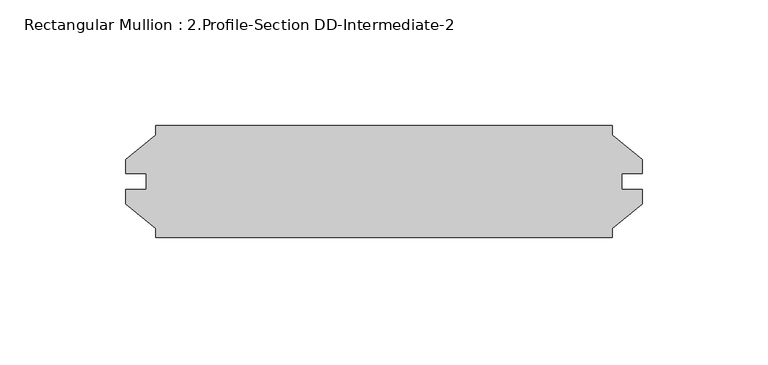
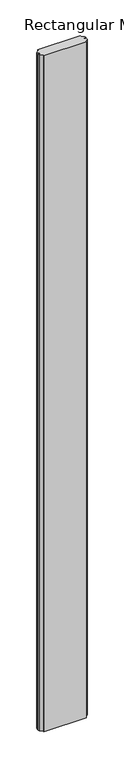
"""IFC4 building model written with IfcOpenShell, lengths in millimetres: member geometry, Rectangular Mullion : 2.Profile-Section DD-Intermediate-2."""

import ifcopenshell
import ifcopenshell.guid

model = None  # the IFC model being written
_history = None  # IfcOwnerHistory: only IFC2X3 demands one
_inside = {}  # id of a spatial element -> (the spatial element, [elements in it])
_under = {}  # id of a project, library or spatial element -> (it, [spatial elements below it])
_declared = {}  # id of a project -> (the project, [libraries it declares])
_typed = {}  # id of a type object -> (the type object, [elements of that type])
_made_of = {}  # id of a material, layer set ... -> (it, [elements and type objects made of it])


def new_model(schema):
    """Start an empty IFC model of exactly this schema.

    Asked for "IFC4X3", IfcOpenShell would pick the latest addendum, in which some entities
    have other attributes; the version numbers below select the first issue.
    IFC2X3 requires an IfcOwnerHistory on every rooted entity: one is made here for all.
    """
    global model, _history
    if schema == "IFC4X3":
        model = ifcopenshell.file(schema_version=(4, 3, 0, 0))
    else:
        model = ifcopenshell.file(schema=schema)
    _inside.clear()
    _under.clear()
    _declared.clear()
    _typed.clear()
    _made_of.clear()
    _history = None
    if model.schema == "IFC2X3":
        org = make("IfcOrganization", Name="unknown")
        user = make(
            "IfcPersonAndOrganization",
            ThePerson=make("IfcPerson", FamilyName="unknown"),
            TheOrganization=org,
        )
        app = make(
            "IfcApplication",
            ApplicationDeveloper=org,
            Version="unknown",
            ApplicationFullName="unknown",
            ApplicationIdentifier="unknown",
        )
        _history = make(
            "IfcOwnerHistory",
            OwningUser=user,
            OwningApplication=app,
            ChangeAction="ADDED",
            CreationDate=0,
        )
    return model


def make(cls, **values):
    """One entity of the class cls with the attributes given. An attribute that is None is left unset."""
    return model.create_entity(
        cls, **{name: value for name, value in values.items() if value is not None}
    )


def rooted(cls, **values):
    """An entity with a GlobalId (a new one), such as an element, a storey or a relation."""
    return make(cls, GlobalId=ifcopenshell.guid.new(), OwnerHistory=_history, **values)


def si_unit(unit_type, name, prefix=None):
    """IfcSIUnit, for example si_unit("LENGTHUNIT", "METRE", prefix="MILLI")."""
    return make("IfcSIUnit", UnitType=unit_type, Prefix=prefix, Name=name)


def assignment(units):
    """IfcUnitAssignment: the units of a project."""
    return None if units is None else make("IfcUnitAssignment", Units=units)


def point(xyz):
    """IfcCartesianPoint."""
    return None if xyz is None else make("IfcCartesianPoint", Coordinates=xyz)


def direction(xyz):
    """IfcDirection."""
    return None if xyz is None else make("IfcDirection", DirectionRatios=xyz)


def frame(location, z_axis=None, x_axis=None):
    """IfcAxis2Placement3D, a coordinate frame: its origin and axes. An axis left out is left unset."""
    return make(
        "IfcAxis2Placement3D",
        Location=point(location),
        Axis=direction(z_axis),
        RefDirection=direction(x_axis),
    )


def origin():
    """The frame at (0, 0, 0) with its axes left unset."""
    return frame((0.0, 0.0, 0.0))


def place(relative_to, where):
    """IfcLocalPlacement: puts the frame where relative to a parent placement (None: the world)."""
    return make(
        "IfcLocalPlacement", PlacementRelTo=relative_to, RelativePlacement=where
    )


def context(
    kind, dimensions, precision=None, world=None, true_north=None, identifier=None
):
    """IfcGeometricRepresentationContext, for example the 3D "Model" context."""
    return make(
        "IfcGeometricRepresentationContext",
        ContextIdentifier=identifier,
        ContextType=kind,
        CoordinateSpaceDimension=dimensions,
        Precision=precision,
        WorldCoordinateSystem=world,
        TrueNorth=true_north,
    )


def project(units=None, contexts=None):
    """IfcProject with its units and contexts."""
    return rooted(
        "IfcProject",
        Name="project",
        RepresentationContexts=contexts,
        UnitsInContext=assignment(units),
    )


def spatial(cls, under=None, at=None, **own):
    """A site, building, storey or space (cls), placed at a placement, below another one or the project."""
    s = rooted(cls, ObjectPlacement=at, **own)
    if under is not None:
        _under.setdefault(under.id(), (under, []))[1].append(s)
    return s


def polyline(points):
    """IfcPolyline through the points."""
    return make("IfcPolyline", Points=[point(p) for p in points])


def outline(outer, holes=None, kind="AREA"):
    """IfcArbitraryClosedProfileDef: a profile drawn as a closed curve; with holes, ...WithVoids."""
    if holes is None:
        return make("IfcArbitraryClosedProfileDef", ProfileType=kind, OuterCurve=outer)
    return make(
        "IfcArbitraryProfileDefWithVoids",
        ProfileType=kind,
        OuterCurve=outer,
        InnerCurves=holes,
    )


def extrude(swept, where, along, depth):
    """IfcExtrudedAreaSolid: the profile swept, set in the frame where, extruded along a direction by depth."""
    return make(
        "IfcExtrudedAreaSolid",
        SweptArea=swept,
        Position=where,
        ExtrudedDirection=direction(along),
        Depth=depth,
    )


def shape(context_of_items, identifier, shape_type, items):
    """IfcShapeRepresentation: the items that make up one representation, for example the "Body"."""
    return make(
        "IfcShapeRepresentation",
        ContextOfItems=context_of_items,
        RepresentationIdentifier=identifier,
        RepresentationType=shape_type,
        Items=items,
    )


def source(mapping_origin, context_of_items, identifier, shape_type, items):
    """IfcRepresentationMap: a shape defined once, which mapped items show again and again."""
    return make(
        "IfcRepresentationMap",
        MappingOrigin=mapping_origin,
        MappedRepresentation=shape(context_of_items, identifier, shape_type, items),
    )


def transform(
    local_origin,
    x_axis=None,
    y_axis=None,
    z_axis=None,
    scale=None,
    scale2=None,
    scale3=None,
    uniform=True,
):
    """IfcCartesianTransformationOperator3D, or its non-uniform kind. x_axis, y_axis, z_axis: its Axis1, 2, 3."""
    if uniform:
        return make(
            "IfcCartesianTransformationOperator3D",
            Axis1=direction(x_axis),
            Axis2=direction(y_axis),
            LocalOrigin=point(local_origin),
            Scale=scale,
            Axis3=direction(z_axis),
        )
    return make(
        "IfcCartesianTransformationOperator3DnonUniform",
        Axis1=direction(x_axis),
        Axis2=direction(y_axis),
        LocalOrigin=point(local_origin),
        Scale=scale,
        Axis3=direction(z_axis),
        Scale2=scale2,
        Scale3=scale3,
    )


def mapped(mapping_source, mapping_target):
    """IfcMappedItem: shows the shape of a source again, moved by a transform."""
    return make(
        "IfcMappedItem", MappingSource=mapping_source, MappingTarget=mapping_target
    )


def made_of(thing, what):
    """Note that an element or type object is made of a material, layer set ...; save() writes the relation."""
    if what is not None:
        _made_of.setdefault(what.id(), (what, []))[1].append(thing)
    return thing


def element(
    cls,
    number,
    at=None,
    inside=None,
    cuts=None,
    type_object=None,
    material=None,
    context=None,
    identifier="Body",
    shape_type=None,
    held_by="IfcProductDefinitionShape",
    body=None,
    shapes=None,
    **own,
):
    """One element of the class cls, such as IfcWall. Its Tag is "e" and its number.

    at: its placement. inside: the storey or other place that contains it. cuts: it is an
    opening in that element (IfcRelVoidsElement). A single representation is given by context,
    identifier, shape_type and body (its items); several are given by shapes. held_by: the class
    of the entity that holds the representations. save() writes the other relations.
    """
    e = rooted(cls, Tag="e%d" % number, ObjectPlacement=at, **own)
    if body is not None:
        shapes = [shape(context, identifier, shape_type, body)]
    if shapes is not None:
        e.Representation = make(held_by, Representations=shapes)
    if inside is not None:
        _inside.setdefault(inside.id(), (inside, []))[1].append(e)
    if cuts is not None:
        rooted(
            "IfcRelVoidsElement", RelatingBuildingElement=cuts, RelatedOpeningElement=e
        )
    if type_object is not None:
        _typed.setdefault(type_object.id(), (type_object, []))[1].append(e)
    return made_of(e, material)


def aggregate(whole, parts):
    """IfcRelAggregates: a whole, such as a stair, and the parts it consists of."""
    return rooted("IfcRelAggregates", RelatingObject=whole, RelatedObjects=parts)


def save(model, path):
    """Write the relations noted so far, then the file.

    IfcRelAggregates (storeys below a building ...), IfcRelContainedInSpatialStructure (elements
    in a storey), IfcRelDefinesByType, IfcRelAssociatesMaterial and IfcRelDeclares: one each for
    every whole, place, type object, material and project.
    """
    for whole, parts in _under.values():
        aggregate(whole, parts)
    for where, things in _inside.values():
        rooted(
            "IfcRelContainedInSpatialStructure",
            RelatedElements=things,
            RelatingStructure=where,
        )
    for kind, things in _typed.values():
        rooted("IfcRelDefinesByType", RelatedObjects=things, RelatingType=kind)
    for what, things in _made_of.values():
        rooted("IfcRelAssociatesMaterial", RelatedObjects=things, RelatingMaterial=what)
    for by, libraries in _declared.values():
        rooted("IfcRelDeclares", RelatingContext=by, RelatedDefinitions=libraries)
    model.write(path)


def rectangular_mullion_2_profile_section_dd_intermediate_2_9d0e30c4(model_context):
    return source(origin(), model_context, "Body", "SweptSolid", [
        extrude(outline(polyline([(-11.90625, -18.518836), (-11.90625, -22.225), (-192.8749, -22.225), (-192.8749, -18.518836), (-204.78115, -8.7503), (-204.78115, -3.175), (-196.8373, -3.175), (-196.8373, 3.175), (-204.78115, 3.175), (-204.78115, 8.7503), (-192.8749, 18.518836), (-192.8749, 22.225), (-11.90625, 22.225), (-11.90625, 18.518836), (0.0, 8.7503), (0.0, 3.175), (-7.94385, 3.175), (-7.94385, -3.175), (0.0, -3.175), (0.0, -8.7503), (-11.90625, -18.518836)])), frame((0.0, 0.0, -3048.0), z_axis=(0.0, 0.0, 1.0), x_axis=(1.0, 0.0, 0.0)), (0.0, 0.0, 1.0), 3048.0),
    ])


if __name__ == "__main__":
    model = new_model("IFC4")
    model_context = context("Model", 3, world=origin())
    ifc_project = project(units=[si_unit("LENGTHUNIT", "METRE", prefix="MILLI")], contexts=[model_context])
    site = spatial("IfcSite", under=ifc_project)
    building = spatial("IfcBuilding", under=site)
    placement = place(None, origin())
    rectangular_mullion_2_profile_section_dd_intermediate_2_shape = rectangular_mullion_2_profile_section_dd_intermediate_2_9d0e30c4(model_context)
    element("IfcMember", 1, ObjectType="Rectangular Mullion : 2.Profile-Section DD-Intermediate-2", at=placement, inside=building, context=model_context, shape_type="MappedRepresentation", body=[
        mapped(rectangular_mullion_2_profile_section_dd_intermediate_2_shape, transform((0.0, 0.0, 0.0), x_axis=(1.0, 0.0, 0.0), y_axis=(0.0, 1.0, 0.0), z_axis=(0.0, 0.0, 1.0))),
    ])
    save(model, "model.ifc")
